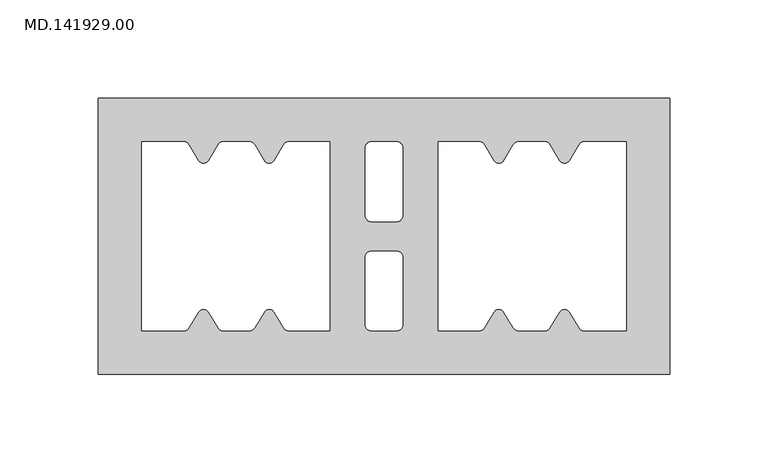
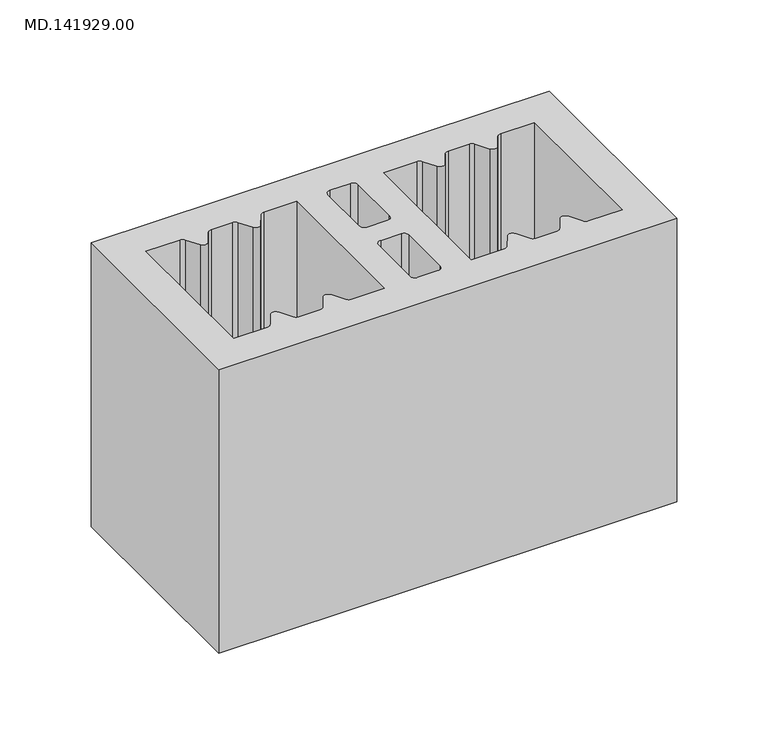
"""IFC4 building model written with IfcOpenShell, lengths in millimetres: proxy geometry, MD.141929.00."""

from ifc_helpers import new_model, si_unit, point, frame_2d, origin, origin_with_axes, place, context, project, spatial, polyline, circle_curve, trimmed, segment, composite_curve, outline, extrude, source, transform, mapped, element, save


def md_141929_00_7978849d(model_context):
    return source(origin(), model_context, "Body", "SweptSolid", [
        extrude(outline(polyline([(295.0, 70.0050293), (295.0, -70.0050293), (5.0, -70.0050293), (5.0, 70.0050293), (295.0, 70.0050293)]), holes=[composite_curve([segment(trimmed(circle_curve(frame_2d((231.7091389, 45.0050293)), 3.0), [point((234.2895781, 46.535171))], [point((231.7091389, 48.0050293))], True, "CARTESIAN"), True, "CONTINUOUS"), segment(polyline([(231.7091389, 48.0050293), (218.2908611, 48.0050293)]), True, "CONTINUOUS"), segment(trimmed(circle_curve(frame_2d((218.2908611, 45.0050293)), 3.0), [point((218.2908611, 48.0050293))], [point((215.7104219, 46.535171))], True, "CARTESIAN"), True, "CONTINUOUS"), segment(polyline([(215.7104219, 46.535171), (210.9137725, 38.4460755)]), True, "CONTINUOUS"), segment(trimmed(circle_curve(frame_2d((208.3333333, 39.9762172)), 3.0), [point((210.9137725, 38.4460755))], [point((205.7528941, 38.4460755))], False, "CARTESIAN"), True, "CONTINUOUS"), segment(polyline([(205.7528941, 38.4460755), (200.9562448, 46.535171)]), True, "CONTINUOUS"), segment(trimmed(circle_curve(frame_2d((198.3758056, 45.0050293)), 3.0), [point((200.9562448, 46.535171))], [point((198.3758056, 48.0050293))], True, "CARTESIAN"), True, "CONTINUOUS"), segment(polyline([(198.3758056, 48.0050293), (177.5, 48.0050293), (177.5, -47.9949707), (198.3758056, -47.9949707)]), True, "CONTINUOUS"), segment(trimmed(circle_curve(frame_2d((198.3758056, -44.9949707)), 3.0), [point((198.3758056, -47.9949707))], [point((200.9562448, -46.5251124))], True, "CARTESIAN"), True, "CONTINUOUS"), segment(polyline([(200.9562448, -46.5251124), (205.7528941, -38.436017)]), True, "CONTINUOUS"), segment(trimmed(circle_curve(frame_2d((208.3333333, -39.9661586)), 3.0), [point((205.7528941, -38.436017))], [point((210.9137725, -38.4360169))], False, "CARTESIAN"), True, "CONTINUOUS"), segment(polyline([(210.9137725, -38.4360169), (215.7104219, -46.5251124)]), True, "CONTINUOUS"), segment(trimmed(circle_curve(frame_2d((218.2908611, -44.9949707)), 3.0), [point((215.7104219, -46.5251124))], [point((218.2908611, -47.9949707))], True, "CARTESIAN"), True, "CONTINUOUS"), segment(polyline([(218.2908611, -47.9949707), (231.7091389, -47.9949707)]), True, "CONTINUOUS"), segment(trimmed(circle_curve(frame_2d((231.7091389, -44.9949707)), 3.0), [point((231.7091389, -47.9949707))], [point((234.2895781, -46.5251124))], True, "CARTESIAN"), True, "CONTINUOUS"), segment(polyline([(234.2895781, -46.5251124), (239.0862275, -38.436017)]), True, "CONTINUOUS"), segment(trimmed(circle_curve(frame_2d((241.6666667, -39.9661586)), 3.0), [point((239.0862275, -38.436017))], [point((244.2471059, -38.4360169))], False, "CARTESIAN"), True, "CONTINUOUS"), segment(polyline([(244.2471059, -38.4360169), (249.0437553, -46.5251124)]), True, "CONTINUOUS"), segment(trimmed(circle_curve(frame_2d((251.6241945, -44.9949707)), 3.0), [point((249.0437553, -46.5251124))], [point((251.6241945, -47.9949707))], True, "CARTESIAN"), True, "CONTINUOUS"), segment(polyline([(251.6241945, -47.9949707), (273.0, -47.9949707), (273.0, 48.0050293), (251.6241945, 48.0050293)]), True, "CONTINUOUS"), segment(trimmed(circle_curve(frame_2d((251.6241945, 45.0050293)), 3.0), [point((251.6241945, 48.0050293))], [point((249.0437553, 46.535171))], True, "CARTESIAN"), True, "CONTINUOUS"), segment(polyline([(249.0437553, 46.535171), (244.2471059, 38.4460755)]), True, "CONTINUOUS"), segment(trimmed(circle_curve(frame_2d((241.6666667, 39.9762172)), 3.0), [point((244.2471059, 38.4460755))], [point((239.0862275, 38.4460755))], False, "CARTESIAN"), True, "CONTINUOUS"), segment(polyline([(239.0862275, 38.4460755), (234.2895781, 46.535171)]), True, "CONTINUOUS")], self_intersect=False), composite_curve([segment(polyline([(159.5, 10.5050293), (159.5, 45.0050293)]), True, "CONTINUOUS"), segment(trimmed(circle_curve(frame_2d((156.5, 45.0050293)), 3.0), [point((159.5, 45.0050293))], [point((156.5, 48.0050293))], True, "CARTESIAN"), True, "CONTINUOUS"), segment(polyline([(156.5, 48.0050293), (143.5, 48.0050293)]), True, "CONTINUOUS"), segment(trimmed(circle_curve(frame_2d((143.5, 45.0050293)), 3.0), [point((143.5, 48.0050293))], [point((140.5, 45.0050293))], True, "CARTESIAN"), True, "CONTINUOUS"), segment(polyline([(140.5, 45.0050293), (140.5, 10.5050293)]), True, "CONTINUOUS"), segment(trimmed(circle_curve(frame_2d((143.5, 10.5050293)), 3.0), [point((140.5, 10.5050293))], [point((143.5, 7.5050293))], True, "CARTESIAN"), True, "CONTINUOUS"), segment(polyline([(143.5, 7.5050293), (156.5, 7.5050293)]), True, "CONTINUOUS"), segment(trimmed(circle_curve(frame_2d((156.5, 10.5050293)), 3.0), [point((156.5, 7.5050293))], [point((159.5, 10.5050293))], True, "CARTESIAN"), True, "CONTINUOUS")], self_intersect=False), composite_curve([segment(polyline([(159.5, -44.9949707), (159.5, -10.4949707)]), True, "CONTINUOUS"), segment(trimmed(circle_curve(frame_2d((156.5, -10.4949707)), 3.0), [point((159.5, -10.4949707))], [point((156.5, -7.4949707))], True, "CARTESIAN"), True, "CONTINUOUS"), segment(polyline([(156.5, -7.4949707), (143.5, -7.4949707)]), True, "CONTINUOUS"), segment(trimmed(circle_curve(frame_2d((143.5, -10.4949707)), 3.0), [point((143.5, -7.4949707))], [point((140.5, -10.4949707))], True, "CARTESIAN"), True, "CONTINUOUS"), segment(polyline([(140.5, -10.4949707), (140.5, -44.9949707)]), True, "CONTINUOUS"), segment(trimmed(circle_curve(frame_2d((143.5, -44.9949707)), 3.0), [point((140.5, -44.9949707))], [point((143.5, -47.9949707))], True, "CARTESIAN"), True, "CONTINUOUS"), segment(polyline([(143.5, -47.9949707), (156.5, -47.9949707)]), True, "CONTINUOUS"), segment(trimmed(circle_curve(frame_2d((156.5, -44.9949707)), 3.0), [point((156.5, -47.9949707))], [point((159.5, -44.9949707))], True, "CARTESIAN"), True, "CONTINUOUS")], self_intersect=False), composite_curve([segment(polyline([(65.7104219, 46.535171), (60.9137725, 38.4460755)]), True, "CONTINUOUS"), segment(trimmed(circle_curve(frame_2d((58.3333333, 39.9762172)), 3.0), [point((60.9137725, 38.4460755))], [point((55.7528941, 38.4460755))], False, "CARTESIAN"), True, "CONTINUOUS"), segment(polyline([(55.7528941, 38.4460755), (50.9562447, 46.535171)]), True, "CONTINUOUS"), segment(trimmed(circle_curve(frame_2d((48.3758055, 45.0050293)), 3.0), [point((50.9562447, 46.535171))], [point((48.3758055, 48.0050293))], True, "CARTESIAN"), True, "CONTINUOUS"), segment(polyline([(48.3758055, 48.0050293), (27.0, 48.0050293), (27.0, -47.9949707), (48.3758055, -47.9949707)]), True, "CONTINUOUS"), segment(trimmed(circle_curve(frame_2d((48.3758055, -44.9949707)), 3.0), [point((48.3758055, -47.9949707))], [point((50.9562447, -46.5251124))], True, "CARTESIAN"), True, "CONTINUOUS"), segment(polyline([(50.9562447, -46.5251124), (55.7528941, -38.4360169)]), True, "CONTINUOUS"), segment(trimmed(circle_curve(frame_2d((58.3333333, -39.9661586)), 3.0), [point((55.7528941, -38.4360169))], [point((60.9137725, -38.436017))], False, "CARTESIAN"), True, "CONTINUOUS"), segment(polyline([(60.9137725, -38.436017), (65.7104219, -46.5251124)]), True, "CONTINUOUS"), segment(trimmed(circle_curve(frame_2d((68.2908611, -44.9949707)), 3.0), [point((65.7104219, -46.5251124))], [point((68.2908611, -47.9949707))], True, "CARTESIAN"), True, "CONTINUOUS"), segment(polyline([(68.2908611, -47.9949707), (81.7091389, -47.9949707)]), True, "CONTINUOUS"), segment(trimmed(circle_curve(frame_2d((81.7091389, -44.9949707)), 3.0), [point((81.7091389, -47.9949707))], [point((84.2895781, -46.5251124))], True, "CARTESIAN"), True, "CONTINUOUS"), segment(polyline([(84.2895781, -46.5251124), (89.0862275, -38.4360169)]), True, "CONTINUOUS"), segment(trimmed(circle_curve(frame_2d((91.6666667, -39.9661586)), 3.0), [point((89.0862275, -38.4360169))], [point((94.2471059, -38.436017))], False, "CARTESIAN"), True, "CONTINUOUS"), segment(polyline([(94.2471059, -38.436017), (99.0437552, -46.5251124)]), True, "CONTINUOUS"), segment(trimmed(circle_curve(frame_2d((101.6241944, -44.9949707)), 3.0), [point((99.0437552, -46.5251124))], [point((101.6241944, -47.9949707))], True, "CARTESIAN"), True, "CONTINUOUS"), segment(polyline([(101.6241944, -47.9949707), (122.5, -47.9949707), (122.5, 48.0050293), (101.6241944, 48.0050293)]), True, "CONTINUOUS"), segment(trimmed(circle_curve(frame_2d((101.6241944, 45.0050293)), 3.0), [point((101.6241944, 48.0050293))], [point((99.0437552, 46.535171))], True, "CARTESIAN"), True, "CONTINUOUS"), segment(polyline([(99.0437552, 46.535171), (94.2471059, 38.4460755)]), True, "CONTINUOUS"), segment(trimmed(circle_curve(frame_2d((91.6666667, 39.9762172)), 3.0), [point((94.2471059, 38.4460755))], [point((89.0862275, 38.4460755))], False, "CARTESIAN"), True, "CONTINUOUS"), segment(polyline([(89.0862275, 38.4460755), (84.2895781, 46.535171)]), True, "CONTINUOUS"), segment(trimmed(circle_curve(frame_2d((81.7091389, 45.0050293)), 3.0), [point((84.2895781, 46.535171))], [point((81.7091389, 48.0050293))], True, "CARTESIAN"), True, "CONTINUOUS"), segment(polyline([(81.7091389, 48.0050293), (68.2908611, 48.0050293)]), True, "CONTINUOUS"), segment(trimmed(circle_curve(frame_2d((68.2908611, 45.0050293)), 3.0), [point((68.2908611, 48.0050293))], [point((65.7104219, 46.535171))], True, "CARTESIAN"), True, "CONTINUOUS")], self_intersect=False)]), origin_with_axes(), (0.0, 0.0, 1.0), 190.0),
    ])


if __name__ == "__main__":
    model = new_model("IFC4")
    model_context = context("Model", 3, world=origin())
    ifc_project = project(units=[si_unit("LENGTHUNIT", "METRE", prefix="MILLI")], contexts=[model_context])
    site = spatial("IfcSite", under=ifc_project)
    building = spatial("IfcBuilding", under=site)
    placement = place(None, origin())
    md_141929_00_shape = md_141929_00_7978849d(model_context)
    element("IfcBuildingElementProxy", 1, Name="MD.141929.00", ObjectType="MD.141929.00", at=placement, inside=building, context=model_context, shape_type="MappedRepresentation", body=[
        mapped(md_141929_00_shape, transform((0.0, 0.0, 0.0), x_axis=(1.0, 0.0, 0.0), y_axis=(0.0, 1.0, 0.0), z_axis=(0.0, 0.0, 1.0))),
    ])
    save(model, "model.ifc")
